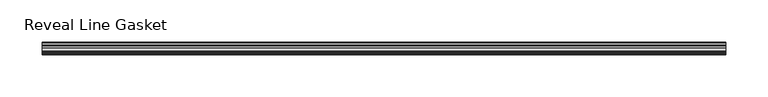
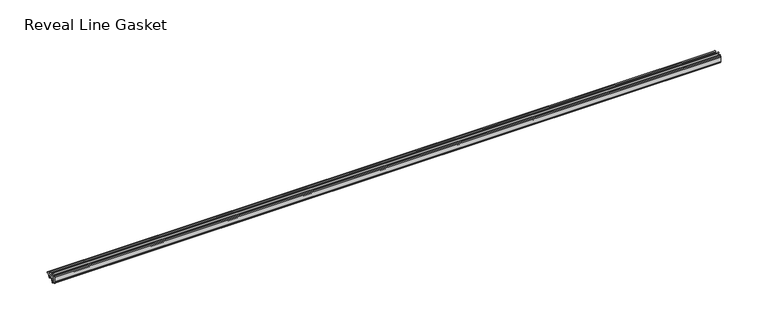
"""IFC4 building model written with IfcOpenShell, lengths in millimetres: furniture geometry, Reveal Line Gasket."""

from ifc_helpers import new_model, si_unit, point, frame, frame_2d, origin, place, context, project, spatial, polyline, circle_curve, trimmed, segment, composite_curve, outline, extrude, source, transform, mapped, element, save


def reveal_line_gasket_ade2e0d5(model_context):
    return source(origin(), model_context, "Body", "SweptSolid", [
        extrude(outline(composite_curve([segment(polyline([(-7.6326998, 1603.2), (-7.4091917, 1604.1554927), (-6.8813059, 1605.0884684)]), True, "CONTINUOUS"), segment(trimmed(circle_curve(frame_2d((-6.5243141, 1604.8864793)), 0.4101739), [point((-6.8813059, 1605.0884684))], [point((-6.1246704, 1604.7941347))], False, "CARTESIAN"), True, "CONTINUOUS"), segment(polyline([(-6.1246704, 1604.7941347), (-6.3626997, 1603.0979086), (-6.3626997, 1601.0654527)]), True, "CONTINUOUS"), segment(trimmed(circle_curve(frame_2d((-5.6959605, 1601.4819258)), 0.786124), [point((-6.3626997, 1601.0654527))], [point((-5.0926996, 1600.977875))], True, "CARTESIAN"), True, "CONTINUOUS"), segment(polyline([(-5.0926996, 1600.977875), (-0.7492996, 1600.977875), (-3.7293824, 1606.1395295)]), True, "CONTINUOUS"), segment(trimmed(circle_curve(frame_2d((-3.3132479, 1606.2049761)), 0.4212495), [point((-3.7293824, 1606.1395295))], [point((-3.0485022, 1606.5326358))], False, "CARTESIAN"), True, "CONTINUOUS"), segment(polyline([(-3.0485022, 1606.5326358), (0.5742594, 1600.977875), (4.8262978, 1600.977875), (3.1660374, 1603.8535297)]), True, "CONTINUOUS"), segment(trimmed(circle_curve(frame_2d((3.5978728, 1603.9118855)), 0.4357605), [point((3.1660374, 1603.8535297))], [point((3.864328, 1604.2566881))], False, "CARTESIAN"), True, "CONTINUOUS"), segment(polyline([(3.864328, 1604.2566881), (6.1944059, 1600.977875), (7.6326998, 1600.977875), (7.6326998, 1599.422125), (6.1944059, 1599.422125), (3.864328, 1596.1433119)]), True, "CONTINUOUS"), segment(trimmed(circle_curve(frame_2d((3.5978728, 1596.4881145)), 0.4357605), [point((3.864328, 1596.1433119))], [point((3.1660374, 1596.5464703))], False, "CARTESIAN"), True, "CONTINUOUS"), segment(polyline([(3.1660374, 1596.5464703), (4.8262978, 1599.422125), (0.5742594, 1599.422125), (-3.0485022, 1593.8673642)]), True, "CONTINUOUS"), segment(trimmed(circle_curve(frame_2d((-3.3132479, 1594.1950239)), 0.4212495), [point((-3.0485022, 1593.8673642))], [point((-3.7293824, 1594.2604705))], False, "CARTESIAN"), True, "CONTINUOUS"), segment(polyline([(-3.7293824, 1594.2604705), (-0.7492996, 1599.422125), (-5.0926996, 1599.422125)]), True, "CONTINUOUS"), segment(trimmed(circle_curve(frame_2d((-5.6959605, 1598.9180742)), 0.786124), [point((-5.0926996, 1599.422125))], [point((-6.3626997, 1599.3345473))], True, "CARTESIAN"), True, "CONTINUOUS"), segment(polyline([(-6.3626997, 1599.3345473), (-6.3626997, 1597.3020914), (-6.1246704, 1595.6058653)]), True, "CONTINUOUS"), segment(trimmed(circle_curve(frame_2d((-6.5243141, 1595.5135207)), 0.4101739), [point((-6.1246704, 1595.6058653))], [point((-6.8813059, 1595.3115316))], False, "CARTESIAN"), True, "CONTINUOUS"), segment(polyline([(-6.8813059, 1595.3115316), (-7.4091917, 1596.2445073), (-7.6326998, 1597.2), (-7.6326998, 1603.2)]), True, "CONTINUOUS")], self_intersect=False)), frame((-406.3582328, 0.0, 0.0), z_axis=(1.0, 0.0, 0.0), x_axis=(0.0, 1.0, 0.0)), (0.0, 0.0, 1.0), 812.7164656),
    ])


if __name__ == "__main__":
    model = new_model("IFC4")
    model_context = context("Model", 3, world=origin())
    ifc_project = project(units=[si_unit("LENGTHUNIT", "METRE", prefix="MILLI")], contexts=[model_context])
    site = spatial("IfcSite", under=ifc_project)
    building = spatial("IfcBuilding", under=site)
    placement = place(None, origin())
    reveal_line_gasket_shape = reveal_line_gasket_ade2e0d5(model_context)
    element("IfcFurniture", 1, ObjectType="Reveal Line Gasket", at=placement, inside=building, context=model_context, shape_type="MappedRepresentation", body=[
        mapped(reveal_line_gasket_shape, transform((0.0, 0.0, 0.0), x_axis=(1.0, 0.0, 0.0), y_axis=(0.0, 1.0, 0.0), z_axis=(0.0, 0.0, 1.0))),
    ])
    save(model, "model.ifc")
